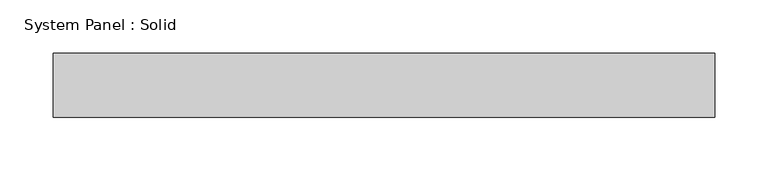
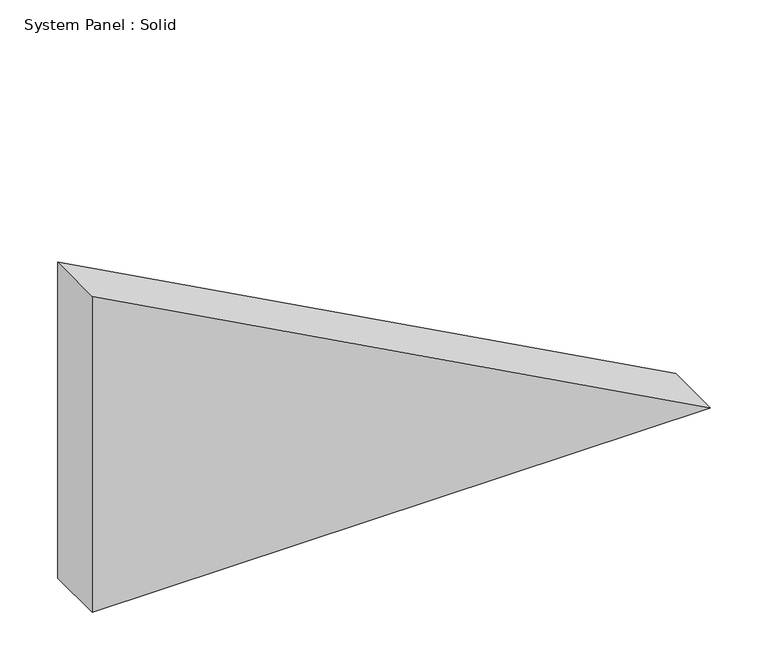
"""IFC4 building model written with IfcOpenShell, lengths in millimetres: plate geometry, System Panel : Solid."""

from ifc_helpers import new_model, si_unit, frame, origin, place, context, project, spatial, polyline, outline, extrude, source, transform, mapped, element, save


def system_panel_solid_7fff7f05(model_context):
    return source(origin(), model_context, "Body", "SweptSolid", [
        extrude(outline(polyline([(0.0, -310.3264905), (0.0, 310.3264905), (335.5401981, -310.3264905), (0.0, -310.3264905)])), frame((0.0, -10.5, 0.0), z_axis=(0.0, 1.0, 0.0), x_axis=(0.0, 0.0, 1.0)), (0.0, 0.0, 1.0), 60.0),
    ])


if __name__ == "__main__":
    model = new_model("IFC4")
    model_context = context("Model", 3, world=origin())
    ifc_project = project(units=[si_unit("LENGTHUNIT", "METRE", prefix="MILLI")], contexts=[model_context])
    site = spatial("IfcSite", under=ifc_project)
    building = spatial("IfcBuilding", under=site)
    placement = place(None, origin())
    system_panel_solid_shape = system_panel_solid_7fff7f05(model_context)
    element("IfcPlate", 1, ObjectType="System Panel : Solid", at=placement, inside=building, context=model_context, shape_type="MappedRepresentation", body=[
        mapped(system_panel_solid_shape, transform((0.0, 0.0, 0.0), x_axis=(1.0, 0.0, 0.0), y_axis=(0.0, 1.0, 0.0), z_axis=(0.0, 0.0, 1.0))),
    ])
    save(model, "model.ifc")
